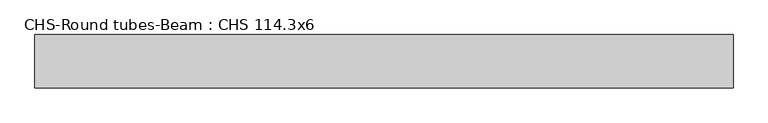
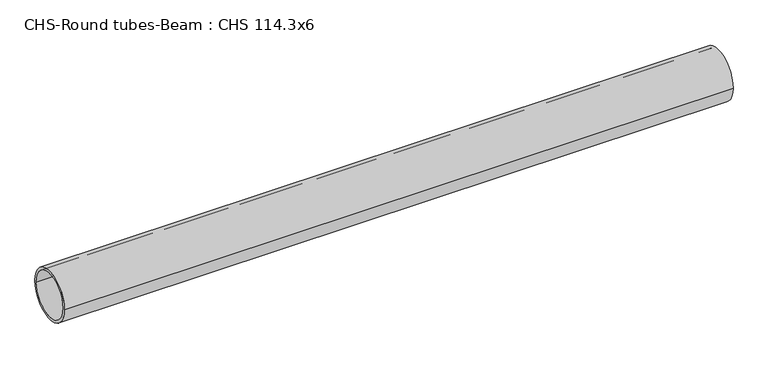
"""IFC4 building model written with IfcOpenShell, lengths in millimetres: beam geometry, CHS-Round tubes-Beam : CHS 114.3x6."""

from ifc_helpers import new_model, si_unit, point, frame, origin, origin_2d, place, context, project, spatial, circle_curve, trimmed, segment, composite_curve, outline, extrude, source, transform, mapped, element, save


def chs_round_tubes_beam_chs_114_3x6_8876c9e0(model_context):
    return source(origin(), model_context, "Body", "SweptSolid", [
        extrude(outline(composite_curve([segment(trimmed(circle_curve(origin_2d(), 57.15), [point((57.15, 0.0))], [point((-57.15, 0.0))], False, "CARTESIAN"), True, "CONTINUOUS"), segment(trimmed(circle_curve(origin_2d(), 57.15), [point((-57.15, 0.0))], [point((57.15, 0.0))], False, "CARTESIAN"), True, "CONTINUOUS")], self_intersect=False), holes=[composite_curve([segment(trimmed(circle_curve(origin_2d(), 51.15), [point((51.15, 0.0))], [point((-51.15, 0.0))], True, "CARTESIAN"), True, "CONTINUOUS"), segment(trimmed(circle_curve(origin_2d(), 51.15), [point((-51.15, 0.0))], [point((51.15, 0.0))], True, "CARTESIAN"), True, "CONTINUOUS")], self_intersect=False)]), frame((-763.9971234, 0.0, 0.0), z_axis=(1.0, 0.0, 0.0), x_axis=(0.0, 1.0, 0.0)), (0.0, 0.0, 1.0), 1500.0285317),
    ])


if __name__ == "__main__":
    model = new_model("IFC4")
    model_context = context("Model", 3, world=origin())
    ifc_project = project(units=[si_unit("LENGTHUNIT", "METRE", prefix="MILLI")], contexts=[model_context])
    site = spatial("IfcSite", under=ifc_project)
    building = spatial("IfcBuilding", under=site)
    placement = place(None, origin())
    chs_round_tubes_beam_chs_114_3x6_shape = chs_round_tubes_beam_chs_114_3x6_8876c9e0(model_context)
    element("IfcBeam", 1, ObjectType="CHS-Round tubes-Beam : CHS 114.3x6", at=placement, inside=building, context=model_context, shape_type="MappedRepresentation", body=[
        mapped(chs_round_tubes_beam_chs_114_3x6_shape, transform((0.0, 0.0, 0.0), x_axis=(1.0, 0.0, 0.0), y_axis=(0.0, 1.0, 0.0), z_axis=(0.0, 0.0, 1.0))),
    ])
    save(model, "model.ifc")
